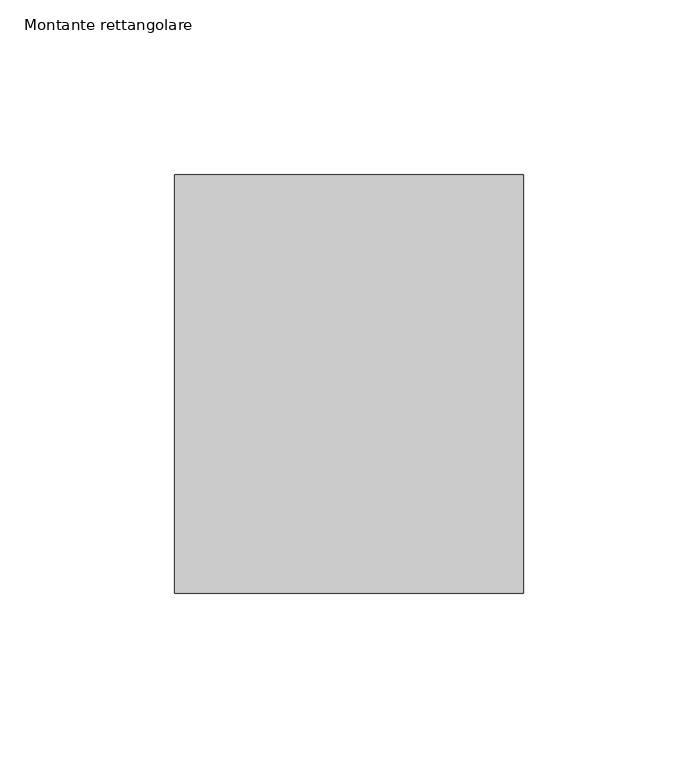
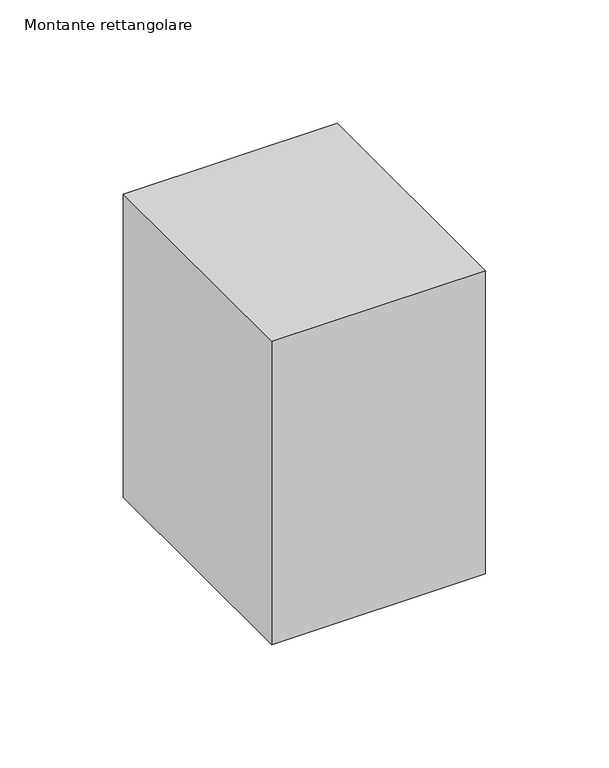
"""IFC4 building model written with IfcOpenShell, lengths in millimetres: member geometry, Montante rettangolare."""

from ifc_helpers import new_model, si_unit, frame, origin, place, context, project, spatial, polyline, outline, extrude, source, transform, mapped, element, save


def montante_rettangolare_330628e1(model_context):
    return source(origin(), model_context, "Body", "SweptSolid", [
        extrude(outline(polyline([(50.0, 60.0), (50.0, -60.0), (-50.0, -60.0), (-50.0, 60.0), (50.0, 60.0)])), frame((0.0, 0.0, -150.0), z_axis=(0.0, 0.0, 1.0), x_axis=(1.0, 0.0, 0.0)), (0.0, 0.0, 1.0), 150.0),
    ])


if __name__ == "__main__":
    model = new_model("IFC4")
    model_context = context("Model", 3, world=origin())
    ifc_project = project(units=[si_unit("LENGTHUNIT", "METRE", prefix="MILLI")], contexts=[model_context])
    site = spatial("IfcSite", under=ifc_project)
    building = spatial("IfcBuilding", under=site)
    placement = place(None, origin())
    montante_rettangolare_shape = montante_rettangolare_330628e1(model_context)
    element("IfcMember", 1, ObjectType="Montante rettangolare", at=placement, inside=building, context=model_context, shape_type="MappedRepresentation", body=[
        mapped(montante_rettangolare_shape, transform((0.0, 0.0, 0.0), x_axis=(1.0, 0.0, 0.0), y_axis=(0.0, 1.0, 0.0), z_axis=(0.0, 0.0, 1.0))),
    ])
    save(model, "model.ifc")
